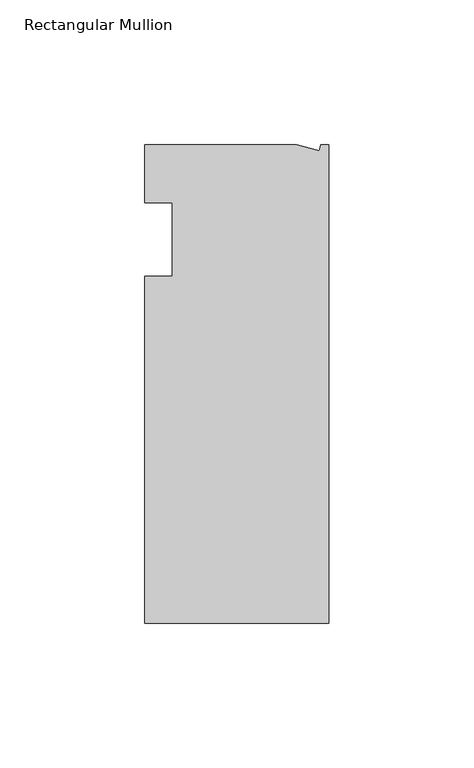
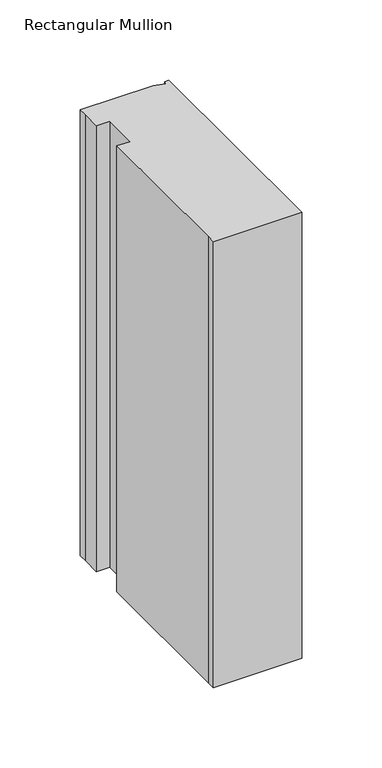
"""IFC4 building model written with IfcOpenShell, lengths in millimetres: member geometry, Rectangular Mullion."""

import ifcopenshell
import ifcopenshell.guid

model = None  # the IFC model being written
_history = None  # IfcOwnerHistory: only IFC2X3 demands one
_inside = {}  # id of a spatial element -> (the spatial element, [elements in it])
_under = {}  # id of a project, library or spatial element -> (it, [spatial elements below it])
_declared = {}  # id of a project -> (the project, [libraries it declares])
_typed = {}  # id of a type object -> (the type object, [elements of that type])
_made_of = {}  # id of a material, layer set ... -> (it, [elements and type objects made of it])


def new_model(schema):
    """Start an empty IFC model of exactly this schema.

    Asked for "IFC4X3", IfcOpenShell would pick the latest addendum, in which some entities
    have other attributes; the version numbers below select the first issue.
    IFC2X3 requires an IfcOwnerHistory on every rooted entity: one is made here for all.
    """
    global model, _history
    if schema == "IFC4X3":
        model = ifcopenshell.file(schema_version=(4, 3, 0, 0))
    else:
        model = ifcopenshell.file(schema=schema)
    _inside.clear()
    _under.clear()
    _declared.clear()
    _typed.clear()
    _made_of.clear()
    _history = None
    if model.schema == "IFC2X3":
        org = make("IfcOrganization", Name="unknown")
        user = make(
            "IfcPersonAndOrganization",
            ThePerson=make("IfcPerson", FamilyName="unknown"),
            TheOrganization=org,
        )
        app = make(
            "IfcApplication",
            ApplicationDeveloper=org,
            Version="unknown",
            ApplicationFullName="unknown",
            ApplicationIdentifier="unknown",
        )
        _history = make(
            "IfcOwnerHistory",
            OwningUser=user,
            OwningApplication=app,
            ChangeAction="ADDED",
            CreationDate=0,
        )
    return model


def make(cls, **values):
    """One entity of the class cls with the attributes given. An attribute that is None is left unset."""
    return model.create_entity(
        cls, **{name: value for name, value in values.items() if value is not None}
    )


def rooted(cls, **values):
    """An entity with a GlobalId (a new one), such as an element, a storey or a relation."""
    return make(cls, GlobalId=ifcopenshell.guid.new(), OwnerHistory=_history, **values)


def si_unit(unit_type, name, prefix=None):
    """IfcSIUnit, for example si_unit("LENGTHUNIT", "METRE", prefix="MILLI")."""
    return make("IfcSIUnit", UnitType=unit_type, Prefix=prefix, Name=name)


def assignment(units):
    """IfcUnitAssignment: the units of a project."""
    return None if units is None else make("IfcUnitAssignment", Units=units)


def point(xyz):
    """IfcCartesianPoint."""
    return None if xyz is None else make("IfcCartesianPoint", Coordinates=xyz)


def direction(xyz):
    """IfcDirection."""
    return None if xyz is None else make("IfcDirection", DirectionRatios=xyz)


def frame(location, z_axis=None, x_axis=None):
    """IfcAxis2Placement3D, a coordinate frame: its origin and axes. An axis left out is left unset."""
    return make(
        "IfcAxis2Placement3D",
        Location=point(location),
        Axis=direction(z_axis),
        RefDirection=direction(x_axis),
    )


def origin():
    """The frame at (0, 0, 0) with its axes left unset."""
    return frame((0.0, 0.0, 0.0))


def place(relative_to, where):
    """IfcLocalPlacement: puts the frame where relative to a parent placement (None: the world)."""
    return make(
        "IfcLocalPlacement", PlacementRelTo=relative_to, RelativePlacement=where
    )


def context(
    kind, dimensions, precision=None, world=None, true_north=None, identifier=None
):
    """IfcGeometricRepresentationContext, for example the 3D "Model" context."""
    return make(
        "IfcGeometricRepresentationContext",
        ContextIdentifier=identifier,
        ContextType=kind,
        CoordinateSpaceDimension=dimensions,
        Precision=precision,
        WorldCoordinateSystem=world,
        TrueNorth=true_north,
    )


def project(units=None, contexts=None):
    """IfcProject with its units and contexts."""
    return rooted(
        "IfcProject",
        Name="project",
        RepresentationContexts=contexts,
        UnitsInContext=assignment(units),
    )


def spatial(cls, under=None, at=None, **own):
    """A site, building, storey or space (cls), placed at a placement, below another one or the project."""
    s = rooted(cls, ObjectPlacement=at, **own)
    if under is not None:
        _under.setdefault(under.id(), (under, []))[1].append(s)
    return s


def polyline(points):
    """IfcPolyline through the points."""
    return make("IfcPolyline", Points=[point(p) for p in points])


def outline(outer, holes=None, kind="AREA"):
    """IfcArbitraryClosedProfileDef: a profile drawn as a closed curve; with holes, ...WithVoids."""
    if holes is None:
        return make("IfcArbitraryClosedProfileDef", ProfileType=kind, OuterCurve=outer)
    return make(
        "IfcArbitraryProfileDefWithVoids",
        ProfileType=kind,
        OuterCurve=outer,
        InnerCurves=holes,
    )


def extrude(swept, where, along, depth):
    """IfcExtrudedAreaSolid: the profile swept, set in the frame where, extruded along a direction by depth."""
    return make(
        "IfcExtrudedAreaSolid",
        SweptArea=swept,
        Position=where,
        ExtrudedDirection=direction(along),
        Depth=depth,
    )


def shape(context_of_items, identifier, shape_type, items):
    """IfcShapeRepresentation: the items that make up one representation, for example the "Body"."""
    return make(
        "IfcShapeRepresentation",
        ContextOfItems=context_of_items,
        RepresentationIdentifier=identifier,
        RepresentationType=shape_type,
        Items=items,
    )


def source(mapping_origin, context_of_items, identifier, shape_type, items):
    """IfcRepresentationMap: a shape defined once, which mapped items show again and again."""
    return make(
        "IfcRepresentationMap",
        MappingOrigin=mapping_origin,
        MappedRepresentation=shape(context_of_items, identifier, shape_type, items),
    )


def transform(
    local_origin,
    x_axis=None,
    y_axis=None,
    z_axis=None,
    scale=None,
    scale2=None,
    scale3=None,
    uniform=True,
):
    """IfcCartesianTransformationOperator3D, or its non-uniform kind. x_axis, y_axis, z_axis: its Axis1, 2, 3."""
    if uniform:
        return make(
            "IfcCartesianTransformationOperator3D",
            Axis1=direction(x_axis),
            Axis2=direction(y_axis),
            LocalOrigin=point(local_origin),
            Scale=scale,
            Axis3=direction(z_axis),
        )
    return make(
        "IfcCartesianTransformationOperator3DnonUniform",
        Axis1=direction(x_axis),
        Axis2=direction(y_axis),
        LocalOrigin=point(local_origin),
        Scale=scale,
        Axis3=direction(z_axis),
        Scale2=scale2,
        Scale3=scale3,
    )


def mapped(mapping_source, mapping_target):
    """IfcMappedItem: shows the shape of a source again, moved by a transform."""
    return make(
        "IfcMappedItem", MappingSource=mapping_source, MappingTarget=mapping_target
    )


def made_of(thing, what):
    """Note that an element or type object is made of a material, layer set ...; save() writes the relation."""
    if what is not None:
        _made_of.setdefault(what.id(), (what, []))[1].append(thing)
    return thing


def element(
    cls,
    number,
    at=None,
    inside=None,
    cuts=None,
    type_object=None,
    material=None,
    context=None,
    identifier="Body",
    shape_type=None,
    held_by="IfcProductDefinitionShape",
    body=None,
    shapes=None,
    **own,
):
    """One element of the class cls, such as IfcWall. Its Tag is "e" and its number.

    at: its placement. inside: the storey or other place that contains it. cuts: it is an
    opening in that element (IfcRelVoidsElement). A single representation is given by context,
    identifier, shape_type and body (its items); several are given by shapes. held_by: the class
    of the entity that holds the representations. save() writes the other relations.
    """
    e = rooted(cls, Tag="e%d" % number, ObjectPlacement=at, **own)
    if body is not None:
        shapes = [shape(context, identifier, shape_type, body)]
    if shapes is not None:
        e.Representation = make(held_by, Representations=shapes)
    if inside is not None:
        _inside.setdefault(inside.id(), (inside, []))[1].append(e)
    if cuts is not None:
        rooted(
            "IfcRelVoidsElement", RelatingBuildingElement=cuts, RelatedOpeningElement=e
        )
    if type_object is not None:
        _typed.setdefault(type_object.id(), (type_object, []))[1].append(e)
    return made_of(e, material)


def aggregate(whole, parts):
    """IfcRelAggregates: a whole, such as a stair, and the parts it consists of."""
    return rooted("IfcRelAggregates", RelatingObject=whole, RelatedObjects=parts)


def save(model, path):
    """Write the relations noted so far, then the file.

    IfcRelAggregates (storeys below a building ...), IfcRelContainedInSpatialStructure (elements
    in a storey), IfcRelDefinesByType, IfcRelAssociatesMaterial and IfcRelDeclares: one each for
    every whole, place, type object, material and project.
    """
    for whole, parts in _under.values():
        aggregate(whole, parts)
    for where, things in _inside.values():
        rooted(
            "IfcRelContainedInSpatialStructure",
            RelatedElements=things,
            RelatingStructure=where,
        )
    for kind, things in _typed.values():
        rooted("IfcRelDefinesByType", RelatedObjects=things, RelatingType=kind)
    for what, things in _made_of.values():
        rooted("IfcRelAssociatesMaterial", RelatedObjects=things, RelatingMaterial=what)
    for by, libraries in _declared.values():
        rooted("IfcRelDeclares", RelatingContext=by, RelatedDefinitions=libraries)
    model.write(path)


def rectangular_mullion_93bb4114(model_context):
    return source(origin(), model_context, "Body", "SweptSolid", [
        extrude(outline(polyline([(0.0, -132.5561012), (-63.5, -132.5561012), (-63.5, -126.2061012), (-63.5, -12.8054199), (-53.975, -12.8054199), (-53.975, 12.5945801), (-63.5, 12.5945801), (-63.5, 26.1938988), (-63.5, 32.5438988), (-11.121847, 32.5438988), (-3.3341886, 30.4622958), (-2.7616541, 32.5438988), (0.0, 32.5438988), (0.0, -132.5561012)])), frame((0.0, 0.0, -338.6666667), z_axis=(0.0, 0.0, 1.0), x_axis=(1.0, 0.0, 0.0)), (0.0, 0.0, 1.0), 338.6666667),
    ])


if __name__ == "__main__":
    model = new_model("IFC4")
    model_context = context("Model", 3, world=origin())
    ifc_project = project(units=[si_unit("LENGTHUNIT", "METRE", prefix="MILLI")], contexts=[model_context])
    site = spatial("IfcSite", under=ifc_project)
    building = spatial("IfcBuilding", under=site)
    placement = place(None, origin())
    rectangular_mullion_shape = rectangular_mullion_93bb4114(model_context)
    element("IfcMember", 1, ObjectType="Rectangular Mullion", at=placement, inside=building, context=model_context, shape_type="MappedRepresentation", body=[
        mapped(rectangular_mullion_shape, transform((0.0, 0.0, 0.0), x_axis=(1.0, 0.0, 0.0), y_axis=(0.0, 1.0, 0.0), z_axis=(0.0, 0.0, 1.0))),
    ])
    save(model, "model.ifc")
